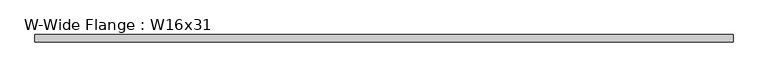
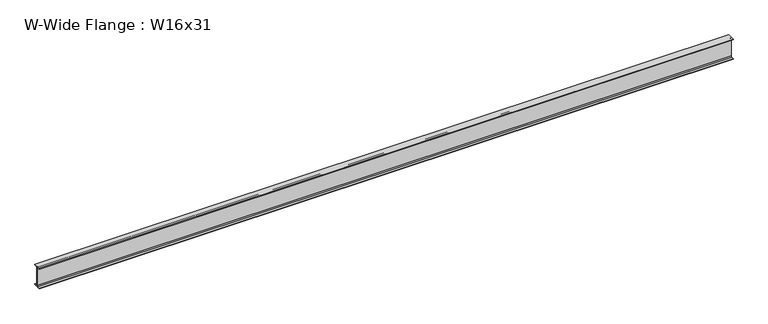
"""IFC4 building model written with IfcOpenShell, lengths in millimetres: beam geometry, W-Wide Flange : W16x31."""

from ifc_helpers import new_model, si_unit, point, frame, frame_2d, origin, place, context, project, spatial, polyline, circle_curve, trimmed, segment, composite_curve, outline, extrude, source, transform, mapped, element, save


def w_wide_flange_w16x31_c0d801fa(model_context):
    return source(origin(), model_context, "Body", "SweptSolid", [
        extrude(outline(composite_curve([segment(polyline([(70.231, -190.754), (70.231, -201.93), (-70.231, -201.93), (-70.231, -190.754), (-20.8915, -190.754)]), True, "CONTINUOUS"), segment(trimmed(circle_curve(frame_2d((-20.8915, -173.355)), 17.399), [point((-20.8915, -190.754))], [point((-3.4925, -173.355))], True, "CARTESIAN"), True, "CONTINUOUS"), segment(polyline([(-3.4925, -173.355), (-3.4925, 173.355)]), True, "CONTINUOUS"), segment(trimmed(circle_curve(frame_2d((-20.8915, 173.355)), 17.399), [point((-3.4925, 173.355))], [point((-20.8915, 190.754))], True, "CARTESIAN"), True, "CONTINUOUS"), segment(polyline([(-20.8915, 190.754), (-70.231, 190.754), (-70.231, 201.93), (70.231, 201.93), (70.231, 190.754), (20.8915, 190.754)]), True, "CONTINUOUS"), segment(trimmed(circle_curve(frame_2d((20.8915, 173.355)), 17.399), [point((20.8915, 190.754))], [point((3.4925, 173.355))], True, "CARTESIAN"), True, "CONTINUOUS"), segment(polyline([(3.4925, 173.355), (3.4925, -173.355)]), True, "CONTINUOUS"), segment(trimmed(circle_curve(frame_2d((20.8915, -173.355)), 17.399), [point((3.4925, -173.355))], [point((20.8915, -190.754))], True, "CARTESIAN"), True, "CONTINUOUS"), segment(polyline([(20.8915, -190.754), (70.231, -190.754)]), True, "CONTINUOUS")], self_intersect=False)), frame((-6580.2456413, 0.0, 0.0), z_axis=(1.0, 0.0, 0.0), x_axis=(0.0, 1.0, 0.0)), (0.0, 0.0, 1.0), 13139.04878),
    ])


if __name__ == "__main__":
    model = new_model("IFC4")
    model_context = context("Model", 3, world=origin())
    ifc_project = project(units=[si_unit("LENGTHUNIT", "METRE", prefix="MILLI")], contexts=[model_context])
    site = spatial("IfcSite", under=ifc_project)
    building = spatial("IfcBuilding", under=site)
    placement = place(None, origin())
    w_wide_flange_w16x31_shape = w_wide_flange_w16x31_c0d801fa(model_context)
    element("IfcBeam", 1, ObjectType="W-Wide Flange : W16x31", at=placement, inside=building, context=model_context, shape_type="MappedRepresentation", body=[
        mapped(w_wide_flange_w16x31_shape, transform((0.0, 0.0, 0.0), x_axis=(1.0, 0.0, 0.0), y_axis=(0.0, 1.0, 0.0), z_axis=(0.0, 0.0, 1.0))),
    ])
    save(model, "model.ifc")
